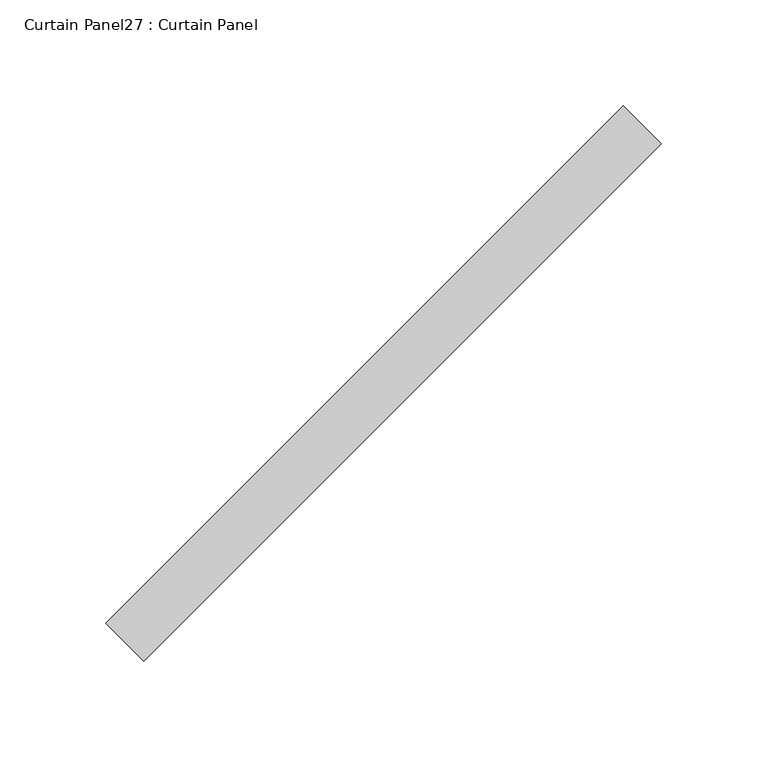
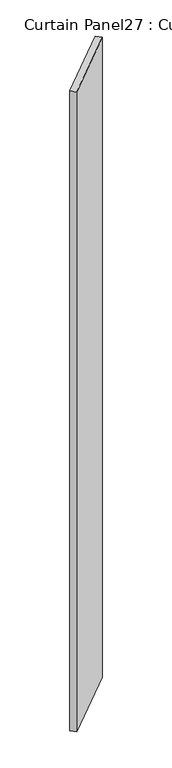
"""IFC4 building model written with IfcOpenShell, lengths in millimetres: plate geometry, Curtain Panel27 : Curtain Panel."""

from ifc_helpers import new_model, si_unit, frame, origin, place, context, project, spatial, polyline, outline, extrude, source, transform, mapped, element, save


def curtain_panel27_curtain_panel_b209ada4(model_context):
    return source(origin(), model_context, "Body", "SweptSolid", [
        extrude(outline(polyline([(27934.2504985, 3160.8717658), (27689.5416982, 2916.1629655), (27671.5811859, 2934.1234777), (27916.2899863, 3178.832278), (27934.2504985, 3160.8717658)])), frame((0.0, 0.0, -633.5446495), z_axis=(0.0, 0.0, 1.0), x_axis=(1.0, 0.0, 0.0)), (0.0, 0.0, 1.0), 2743.2),
    ])


if __name__ == "__main__":
    model = new_model("IFC4")
    model_context = context("Model", 3, world=origin())
    ifc_project = project(units=[si_unit("LENGTHUNIT", "METRE", prefix="MILLI")], contexts=[model_context])
    site = spatial("IfcSite", under=ifc_project)
    building = spatial("IfcBuilding", under=site)
    placement = place(None, origin())
    curtain_panel27_curtain_panel_shape = curtain_panel27_curtain_panel_b209ada4(model_context)
    element("IfcPlate", 1, ObjectType="Curtain Panel27 : Curtain Panel", at=placement, inside=building, context=model_context, shape_type="MappedRepresentation", body=[
        mapped(curtain_panel27_curtain_panel_shape, transform((0.0, 0.0, 0.0), x_axis=(1.0, 0.0, 0.0), y_axis=(0.0, 1.0, 0.0), z_axis=(0.0, 0.0, 1.0))),
    ])
    save(model, "model.ifc")
